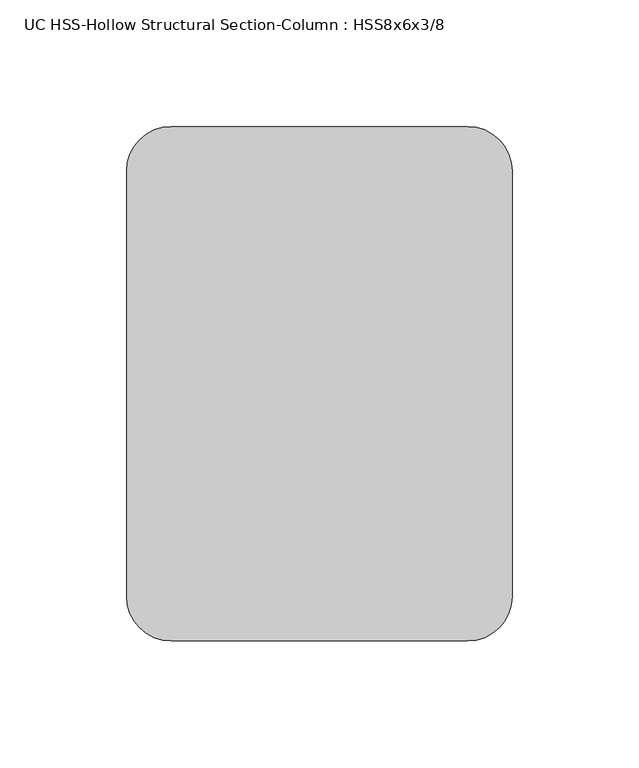
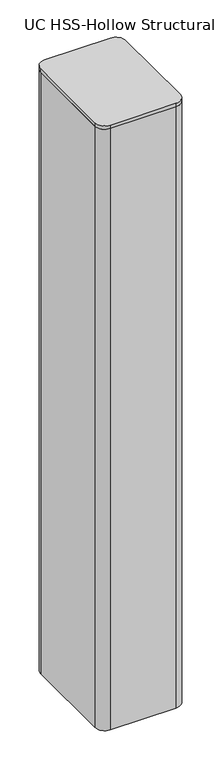
"""IFC4 building model written with IfcOpenShell, lengths in millimetres: column geometry, UC HSS-Hollow Structural Section-Column : HSS8x6x3/8."""

from ifc_helpers import new_model, si_unit, point, frame, frame_2d, origin, origin_with_axes, place, context, project, spatial, polyline, circle_curve, trimmed, segment, composite_curve, outline, extrude, source, transform, mapped, element, save


def uc_hss_hollow_structural_section_column_hss8x6x3_8_4e7df158(model_context):
    return source(origin(), model_context, "Body", "SweptSolid", [
        extrude(outline(composite_curve([segment(trimmed(circle_curve(frame_2d((-58.5390625, 83.9390625)), 17.6609375), [point((-76.2, 83.9390625))], [point((-58.5390625, 101.6))], False, "CARTESIAN"), True, "CONTINUOUS"), segment(polyline([(-58.5390625, 101.6), (58.5390625, 101.6)]), True, "CONTINUOUS"), segment(trimmed(circle_curve(frame_2d((58.5390625, 83.9390625)), 17.6609375), [point((58.5390625, 101.6))], [point((76.2, 83.9390625))], False, "CARTESIAN"), True, "CONTINUOUS"), segment(polyline([(76.2, 83.9390625), (76.2, -83.9390625)]), True, "CONTINUOUS"), segment(trimmed(circle_curve(frame_2d((58.5390625, -83.9390625)), 17.6609375), [point((76.2, -83.9390625))], [point((58.5390625, -101.6))], False, "CARTESIAN"), True, "CONTINUOUS"), segment(polyline([(58.5390625, -101.6), (-58.5390625, -101.6)]), True, "CONTINUOUS"), segment(trimmed(circle_curve(frame_2d((-58.5390625, -83.9390625)), 17.6609375), [point((-58.5390625, -101.6))], [point((-76.2, -83.9390625))], False, "CARTESIAN"), True, "CONTINUOUS"), segment(polyline([(-76.2, -83.9390625), (-76.2, 83.9390625)]), True, "CONTINUOUS")], self_intersect=False)), frame((0.0, 0.0, 1136.65), z_axis=(0.0, 0.0, 1.0), x_axis=(1.0, 0.0, 0.0)), (0.0, 0.0, 1.0), 6.35),
        extrude(outline(composite_curve([segment(trimmed(circle_curve(frame_2d((58.4708, 83.8708)), 17.7292), [point((58.4708, 101.6))], [point((76.2, 83.8708))], False, "CARTESIAN"), True, "CONTINUOUS"), segment(polyline([(76.2, 83.8708), (76.2, -83.8708)]), True, "CONTINUOUS"), segment(trimmed(circle_curve(frame_2d((58.4708, -83.8708)), 17.7292), [point((76.2, -83.8708))], [point((58.4708, -101.6))], False, "CARTESIAN"), True, "CONTINUOUS"), segment(polyline([(58.4708, -101.6), (-58.4708, -101.6)]), True, "CONTINUOUS"), segment(trimmed(circle_curve(frame_2d((-58.4708, -83.8708)), 17.7292), [point((-58.4708, -101.6))], [point((-76.2, -83.8708))], False, "CARTESIAN"), True, "CONTINUOUS"), segment(polyline([(-76.2, -83.8708), (-76.2, 83.8708)]), True, "CONTINUOUS"), segment(trimmed(circle_curve(frame_2d((-58.4708, 83.8708)), 17.7292), [point((-76.2, 83.8708))], [point((-58.4708, 101.6))], False, "CARTESIAN"), True, "CONTINUOUS"), segment(polyline([(-58.4708, 101.6), (58.4708, 101.6)]), True, "CONTINUOUS")], self_intersect=False), holes=[composite_curve([segment(polyline([(58.4708, 92.7354), (-58.4708, 92.7354)]), True, "CONTINUOUS"), segment(trimmed(circle_curve(frame_2d((-58.4708, 83.8708)), 8.8646), [point((-58.4708, 92.7354))], [point((-67.3354, 83.8708))], True, "CARTESIAN"), True, "CONTINUOUS"), segment(polyline([(-67.3354, 83.8708), (-67.3354, -83.8708)]), True, "CONTINUOUS"), segment(trimmed(circle_curve(frame_2d((-58.4708, -83.8708)), 8.8646), [point((-67.3354, -83.8708))], [point((-58.4708, -92.7354))], True, "CARTESIAN"), True, "CONTINUOUS"), segment(polyline([(-58.4708, -92.7354), (58.4708, -92.7354)]), True, "CONTINUOUS"), segment(trimmed(circle_curve(frame_2d((58.4708, -83.8708)), 8.8646), [point((58.4708, -92.7354))], [point((67.3354, -83.8708))], True, "CARTESIAN"), True, "CONTINUOUS"), segment(polyline([(67.3354, -83.8708), (67.3354, 83.8708)]), True, "CONTINUOUS"), segment(trimmed(circle_curve(frame_2d((58.4708, 83.8708)), 8.8646), [point((67.3354, 83.8708))], [point((58.4708, 92.7354))], True, "CARTESIAN"), True, "CONTINUOUS")], self_intersect=False)]), origin_with_axes(), (0.0, 0.0, 1.0), 1136.65),
    ])


if __name__ == "__main__":
    model = new_model("IFC4")
    model_context = context("Model", 3, world=origin())
    ifc_project = project(units=[si_unit("LENGTHUNIT", "METRE", prefix="MILLI")], contexts=[model_context])
    site = spatial("IfcSite", under=ifc_project)
    building = spatial("IfcBuilding", under=site)
    placement = place(None, origin())
    uc_hss_hollow_structural_section_column_hss8x6x3_8_shape = uc_hss_hollow_structural_section_column_hss8x6x3_8_4e7df158(model_context)
    element("IfcColumn", 1, ObjectType="UC HSS-Hollow Structural Section-Column : HSS8x6x3/8", at=placement, inside=building, context=model_context, shape_type="MappedRepresentation", body=[
        mapped(uc_hss_hollow_structural_section_column_hss8x6x3_8_shape, transform((0.0, 0.0, 0.0), x_axis=(1.0, 0.0, 0.0), y_axis=(0.0, 1.0, 0.0), z_axis=(0.0, 0.0, 1.0))),
    ])
    save(model, "model.ifc")
